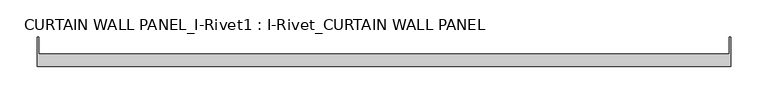
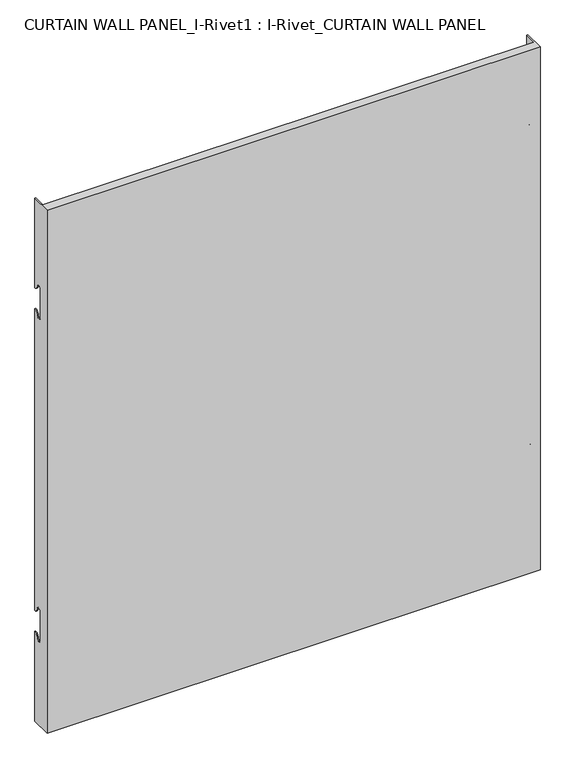
"""IFC4 building model written with IfcOpenShell, lengths in millimetres: plate geometry, CURTAIN WALL PANEL_I-Rivet1 : I-Rivet_CURTAIN WALL PANEL."""

from ifc_helpers import new_model, si_unit, frame, origin, place, context, project, spatial, polyline, circle_curve, source, transform, mapped, element, save
from ifc_brep_helpers import plane_surface, cylinder_surface, revolved_surface, advanced_brep


def curtain_wall_panel_i_rivet1_i_rivet_curtain_wall_panel_569931cb(model_context):
    return source(origin(), model_context, "Body", "AdvancedBrep", [
        advanced_brep(
        [(-466.0, -85.0, 1045.0), (466.0, -85.0, 1045.0), (466.0, -45.3384103, 1045.0), (464.0, -45.3384103, 1045.0), (464.0, -68.0, 1045.0), (-464.0, -68.0, 1045.0), (-464.0, -45.3384103, 1045.0), (-466.0, -45.3384103, 1045.0), (-466.0, -85.0, 0.0), (-466.0, -45.3384103, 0.0), (-464.0, -45.3384103, 0.0), (-464.0, -68.0, 0.0), (464.0, -68.0, 0.0), (464.0, -45.3384103, 0.0), (466.0, -45.3384103, 0.0), (466.0, -85.0, 0.0), (-466.0, -45.3384103, 866.0), (-466.0, -52.3384103, 873.0), (-466.0, -63.3384103, 873.0), (-466.0, -63.3384103, 817.0), (-466.0, -52.3384103, 817.0), (-466.0, -45.3384103, 824.0), (-466.0, -45.3384103, 221.0), (-466.0, -52.3384103, 228.0), (-466.0, -63.3384103, 228.0), (-466.0, -63.3384103, 172.0), (-466.0, -52.3384103, 172.0), (-466.0, -45.3384103, 179.0), (-464.0, -45.3384103, 179.0), (-464.0, -45.3384103, 824.0), (-464.0, -45.3384103, 221.0), (-464.0, -45.3384103, 866.0), (466.0, -45.3384103, 866.0), (464.0, -45.3384103, 866.0), (464.0, -45.3384103, 179.0), (466.0, -45.3384103, 179.0), (464.0, -45.3384103, 221.0), (464.0, -45.3384103, 824.0), (466.0, -45.3384103, 824.0), (466.0, -45.3384103, 221.0), (466.0, -52.3384103, 172.0), (466.0, -63.3384103, 172.0), (466.0, -63.3384103, 228.0), (466.0, -52.3384103, 228.0), (466.0, -52.3384103, 817.0), (466.0, -63.3384103, 817.0), (466.0, -63.3384103, 873.0), (466.0, -52.3384103, 873.0), (-464.0, -52.3384103, 172.0), (-464.0, -63.3384103, 172.0), (-464.0, -63.3384103, 228.0), (-464.0, -52.3384103, 228.0), (-464.0, -52.3384103, 817.0), (-464.0, -63.3384103, 817.0), (-464.0, -63.3384103, 873.0), (-464.0, -52.3384103, 873.0), (464.0, -52.3384103, 873.0), (464.0, -63.3384103, 873.0), (464.0, -63.3384103, 817.0), (464.0, -52.3384103, 817.0), (464.0, -52.3384103, 228.0), (464.0, -63.3384103, 228.0), (464.0, -63.3384103, 172.0), (464.0, -52.3384103, 172.0)],
        [
            (0, 1),
            (1, 2),
            (2, 3),
            (3, 4),
            (4, 5),
            (5, 6),
            (6, 7),
            (7, 0),
            (8, 9),
            (9, 10),
            (10, 11),
            (11, 12),
            (12, 13),
            (13, 14),
            (14, 15),
            (15, 8),
            (7, 16),
            (16, 17, circle_curve(frame((-466.0, -45.3384103, 873.0), z_axis=(-1.0, 0.0, 0.0), x_axis=(0.0, -1.0, 0.0)), 7.0)),
            (17, 18, circle_curve(frame((-466.0, -57.8384103, 873.0), z_axis=(1.0, 0.0, 0.0), x_axis=(0.0, -1.0, 0.0)), 5.5)),
            (18, 19),
            (19, 20, circle_curve(frame((-466.0, -57.8384103, 817.0), z_axis=(1.0, 0.0, 0.0), x_axis=(0.0, -1.0, 0.0)), 5.5)),
            (20, 21, circle_curve(frame((-466.0, -45.3384103, 817.0), z_axis=(-1.0, 0.0, 0.0), x_axis=(0.0, -1.0, 0.0)), 7.0)),
            (21, 22),
            (22, 23, circle_curve(frame((-466.0, -45.3384103, 228.0), z_axis=(-1.0, 0.0, 0.0), x_axis=(0.0, -1.0, 0.0)), 7.0)),
            (23, 24, circle_curve(frame((-466.0, -57.8384103, 228.0), z_axis=(1.0, 0.0, 0.0), x_axis=(0.0, -1.0, 0.0)), 5.5)),
            (24, 25),
            (25, 26, circle_curve(frame((-466.0, -57.8384103, 172.0), z_axis=(1.0, 0.0, 0.0), x_axis=(0.0, -1.0, 0.0)), 5.5)),
            (26, 27, circle_curve(frame((-466.0, -45.3384103, 172.0), z_axis=(-1.0, 0.0, 0.0), x_axis=(0.0, -1.0, 0.0)), 7.0)),
            (27, 9),
            (8, 0),
            (27, 28),
            (28, 10),
            (21, 29),
            (29, 30),
            (30, 22),
            (6, 31),
            (31, 16),
            (2, 32),
            (32, 33),
            (33, 3),
            (13, 34),
            (34, 35),
            (35, 14),
            (36, 37),
            (37, 38),
            (38, 39),
            (39, 36),
            (1, 15),
            (35, 40, circle_curve(frame((466.0, -45.3384103, 172.0), z_axis=(1.0, 0.0, 0.0), x_axis=(0.0, -1.0, 0.0)), 7.0)),
            (40, 41, circle_curve(frame((466.0, -57.8384103, 172.0), z_axis=(-1.0, 0.0, 0.0), x_axis=(0.0, -1.0, 0.0)), 5.5)),
            (41, 42),
            (42, 43, circle_curve(frame((466.0, -57.8384103, 228.0), z_axis=(-1.0, 0.0, 0.0), x_axis=(0.0, -1.0, 0.0)), 5.5)),
            (43, 39, circle_curve(frame((466.0, -45.3384103, 228.0), z_axis=(1.0, 0.0, 0.0), x_axis=(0.0, -1.0, 0.0)), 7.0)),
            (38, 44, circle_curve(frame((466.0, -45.3384103, 817.0), z_axis=(1.0, 0.0, 0.0), x_axis=(0.0, -1.0, 0.0)), 7.0)),
            (44, 45, circle_curve(frame((466.0, -57.8384103, 817.0), z_axis=(-1.0, 0.0, 0.0), x_axis=(0.0, -1.0, 0.0)), 5.5)),
            (45, 46),
            (46, 47, circle_curve(frame((466.0, -57.8384103, 873.0), z_axis=(-1.0, 0.0, 0.0), x_axis=(0.0, -1.0, 0.0)), 5.5)),
            (47, 32, circle_curve(frame((466.0, -45.3384103, 873.0), z_axis=(1.0, 0.0, 0.0), x_axis=(0.0, -1.0, 0.0)), 7.0)),
            (5, 11),
            (28, 48, circle_curve(frame((-464.0, -45.3384103, 172.0), z_axis=(1.0, 0.0, 0.0), x_axis=(0.0, -1.0, 0.0)), 7.0)),
            (48, 49, circle_curve(frame((-464.0, -57.8384103, 172.0), z_axis=(-1.0, 0.0, 0.0), x_axis=(0.0, -1.0, 0.0)), 5.5)),
            (49, 50),
            (50, 51, circle_curve(frame((-464.0, -57.8384103, 228.0), z_axis=(-1.0, 0.0, 0.0), x_axis=(0.0, -1.0, 0.0)), 5.5)),
            (51, 30, circle_curve(frame((-464.0, -45.3384103, 228.0), z_axis=(1.0, 0.0, 0.0), x_axis=(0.0, -1.0, 0.0)), 7.0)),
            (29, 52, circle_curve(frame((-464.0, -45.3384103, 817.0), z_axis=(1.0, 0.0, 0.0), x_axis=(0.0, -1.0, 0.0)), 7.0)),
            (52, 53, circle_curve(frame((-464.0, -57.8384103, 817.0), z_axis=(-1.0, 0.0, 0.0), x_axis=(0.0, -1.0, 0.0)), 5.5)),
            (53, 54),
            (54, 55, circle_curve(frame((-464.0, -57.8384103, 873.0), z_axis=(-1.0, 0.0, 0.0), x_axis=(0.0, -1.0, 0.0)), 5.5)),
            (55, 31, circle_curve(frame((-464.0, -45.3384103, 873.0), z_axis=(1.0, 0.0, 0.0), x_axis=(0.0, -1.0, 0.0)), 7.0)),
            (33, 56, circle_curve(frame((464.0, -45.3384103, 873.0), z_axis=(-1.0, 0.0, 0.0), x_axis=(0.0, -1.0, 0.0)), 7.0)),
            (56, 57, circle_curve(frame((464.0, -57.8384103, 873.0), z_axis=(1.0, 0.0, 0.0), x_axis=(0.0, -1.0, 0.0)), 5.5)),
            (57, 58),
            (58, 59, circle_curve(frame((464.0, -57.8384103, 817.0), z_axis=(1.0, 0.0, 0.0), x_axis=(0.0, -1.0, 0.0)), 5.5)),
            (59, 37, circle_curve(frame((464.0, -45.3384103, 817.0), z_axis=(-1.0, 0.0, 0.0), x_axis=(0.0, -1.0, 0.0)), 7.0)),
            (36, 60, circle_curve(frame((464.0, -45.3384103, 228.0), z_axis=(-1.0, 0.0, 0.0), x_axis=(0.0, -1.0, 0.0)), 7.0)),
            (60, 61, circle_curve(frame((464.0, -57.8384103, 228.0), z_axis=(1.0, 0.0, 0.0), x_axis=(0.0, -1.0, 0.0)), 5.5)),
            (61, 62),
            (62, 63, circle_curve(frame((464.0, -57.8384103, 172.0), z_axis=(1.0, 0.0, 0.0), x_axis=(0.0, -1.0, 0.0)), 5.5)),
            (63, 34, circle_curve(frame((464.0, -45.3384103, 172.0), z_axis=(-1.0, 0.0, 0.0), x_axis=(0.0, -1.0, 0.0)), 7.0)),
            (12, 4),
            (41, 62),
            (61, 42),
            (49, 25),
            (24, 50),
            (40, 63),
            (48, 26),
            (51, 23),
            (43, 60),
            (18, 54),
            (53, 19),
            (57, 46),
            (45, 58),
            (17, 55),
            (56, 47),
            (59, 44),
            (20, 52),
        ],
        [
            plane_surface(frame((-466.0, -45.3384103, 1045.0), z_axis=(0.0, 0.0, 1.0), x_axis=(0.0, 1.0, 0.0))),
            plane_surface(frame((-466.0, -45.3384103, 0.0), z_axis=(0.0, 0.0, -1.0), x_axis=(0.0, -1.0, 0.0))),
            plane_surface(frame((-466.0, -85.0, 1045.0), z_axis=(-1.0, 0.0, 0.0), x_axis=(0.0, 0.0, -1.0))),
            plane_surface(frame((-466.0, -45.3384103, 1045.0), z_axis=(0.0, 1.0, 0.0), x_axis=(0.0, 0.0, -1.0))),
            plane_surface(frame((464.0, -45.3384103, 1045.0), z_axis=(0.0, 1.0, 0.0), x_axis=(0.0, 0.0, -1.0))),
            plane_surface(frame((466.0, -45.3384103, 1045.0), z_axis=(1.0, 0.0, 0.0), x_axis=(0.0, 0.0, -1.0))),
            plane_surface(frame((466.0, -85.0, 1045.0), z_axis=(0.0, -1.0, 0.0), x_axis=(0.0, 0.0, -1.0))),
            plane_surface(frame((-464.0, -45.3384103, 1045.0), z_axis=(1.0, 0.0, 0.0), x_axis=(0.0, 0.0, -1.0))),
            plane_surface(frame((464.0, -68.0, 1045.0), z_axis=(-1.0, 0.0, 0.0), x_axis=(0.0, 0.0, -1.0))),
            plane_surface(frame((-465.0, -68.0, 1045.0), z_axis=(0.0, 1.0, 0.0), x_axis=(0.0, 0.0, -1.0))),
            plane_surface(frame((-466.0, -63.3384103, 228.0), z_axis=(0.0, 1.0, 0.0), x_axis=(1.0, 0.0, 0.0))),
            revolved_surface(polyline([(464.0, -63.3384103, 172.0), (466.0, -63.3384103, 172.0)]), (-466.0, -57.8384103, 172.0), (-1.0, 0.0, 0.0)),
            revolved_surface(polyline([(-466.0, -63.3384103, 172.0), (-464.0, -63.3384103, 172.0)]), (-466.0, -57.8384103, 172.0), (-1.0, 0.0, 0.0)),
            cylinder_surface(frame((-466.0, -45.3384103, 172.0), z_axis=(1.0, 0.0, 0.0), x_axis=(0.0, -1.0, 0.0)), 7.0),
            cylinder_surface(frame((-466.0, -45.3384103, 228.0), z_axis=(1.0, 0.0, 0.0), x_axis=(0.0, -1.0, 0.0)), 7.0),
            revolved_surface(polyline([(-466.0, -63.3384103, 228.0), (-464.0, -63.3384103, 228.0)]), (-466.0, -57.8384103, 228.0), (-1.0, 0.0, 0.0)),
            revolved_surface(polyline([(464.0, -63.3384103, 228.0), (466.0, -63.3384103, 228.0)]), (-466.0, -57.8384103, 228.0), (-1.0, 0.0, 0.0)),
            plane_surface(frame((466.0, -63.3384103, 817.0), z_axis=(0.0, 1.0, 0.0), x_axis=(-1.0, 0.0, 0.0))),
            revolved_surface(polyline([(-464.0, -63.3384103, 873.0), (-466.0, -63.3384103, 873.0)]), (466.0, -57.8384103, 873.0), (1.0, 0.0, 0.0)),
            revolved_surface(polyline([(466.0, -63.3384103, 873.0), (464.0, -63.3384103, 873.0)]), (466.0, -57.8384103, 873.0), (1.0, 0.0, 0.0)),
            cylinder_surface(frame((466.0, -45.3384103, 873.0), z_axis=(-1.0, 0.0, 0.0), x_axis=(0.0, -1.0, 0.0)), 7.0),
            cylinder_surface(frame((466.0, -45.3384103, 817.0), z_axis=(-1.0, 0.0, 0.0), x_axis=(0.0, -1.0, 0.0)), 7.0),
            revolved_surface(polyline([(466.0, -63.3384103, 817.0), (464.0, -63.3384103, 817.0)]), (466.0, -57.8384103, 817.0), (1.0, 0.0, 0.0)),
            revolved_surface(polyline([(-464.0, -63.3384103, 817.0), (-466.0, -63.3384103, 817.0)]), (466.0, -57.8384103, 817.0), (1.0, 0.0, 0.0)),
        ],
        [
            (0, [[1, 2, 3, 4, 5, 6, 7, 8]]),
            (1, [[9, 10, 11, 12, 13, 14, 15, 16]]),
            (2, [[17, 18, 19, 20, 21, 22, 23, 24, 25, 26, 27, 28, 29, -9, 30, -8]]),
            (3, [[-29, 31, 32, -10]]),
            (3, [[-23, 33, 34, 35]]),
            (3, [[36, 37, -17, -7]]),
            (4, [[38, 39, 40, -3]]),
            (4, [[41, 42, 43, -14]]),
            (4, [[44, 45, 46, 47]]),
            (5, [[48, -15, -43, 49, 50, 51, 52, 53, -46, 54, 55, 56, 57, 58, -38, -2]]),
            (6, [[-30, -16, -48, -1]]),
            (7, [[59, -11, -32, 60, 61, 62, 63, 64, -34, 65, 66, 67, 68, 69, -36, -6]]),
            (8, [[-40, 70, 71, 72, 73, 74, -44, 75, 76, 77, 78, 79, -41, -13, 80, -4]]),
            (9, [[-80, -12, -59, -5]]),
            (10, [[-51, 81, -77, 82]]),
            (10, [[-62, 83, -26, 84]]),
            (11, [[-50, 85, -78, -81]]),
            (12, [[-61, 86, -27, -83]]),
            (13, [[-49, -42, -79, -85]]),
            (13, [[-60, -31, -28, -86]]),
            (14, [[-24, -35, -64, 87]]),
            (14, [[-75, -47, -53, 88]]),
            (15, [[-25, -87, -63, -84]]),
            (16, [[-76, -88, -52, -82]]),
            (17, [[-20, 89, -67, 90]]),
            (17, [[-72, 91, -56, 92]]),
            (18, [[-19, 93, -68, -89]]),
            (19, [[-71, 94, -57, -91]]),
            (20, [[-18, -37, -69, -93]]),
            (20, [[-70, -39, -58, -94]]),
            (21, [[-54, -45, -74, 95]]),
            (21, [[-65, -33, -22, 96]]),
            (22, [[-55, -95, -73, -92]]),
            (23, [[-66, -96, -21, -90]]),
        ],
    ),
    ])


if __name__ == "__main__":
    model = new_model("IFC4")
    model_context = context("Model", 3, world=origin())
    ifc_project = project(units=[si_unit("LENGTHUNIT", "METRE", prefix="MILLI")], contexts=[model_context])
    site = spatial("IfcSite", under=ifc_project)
    building = spatial("IfcBuilding", under=site)
    placement = place(None, origin())
    curtain_wall_panel_i_rivet1_i_rivet_curtain_wall_panel_shape = curtain_wall_panel_i_rivet1_i_rivet_curtain_wall_panel_569931cb(model_context)
    element("IfcPlate", 1, ObjectType="CURTAIN WALL PANEL_I-Rivet1 : I-Rivet_CURTAIN WALL PANEL", at=placement, inside=building, context=model_context, shape_type="MappedRepresentation", body=[
        mapped(curtain_wall_panel_i_rivet1_i_rivet_curtain_wall_panel_shape, transform((0.0, 0.0, 0.0), x_axis=(1.0, 0.0, 0.0), y_axis=(0.0, 1.0, 0.0), z_axis=(0.0, 0.0, 1.0))),
    ])
    save(model, "model.ifc")
